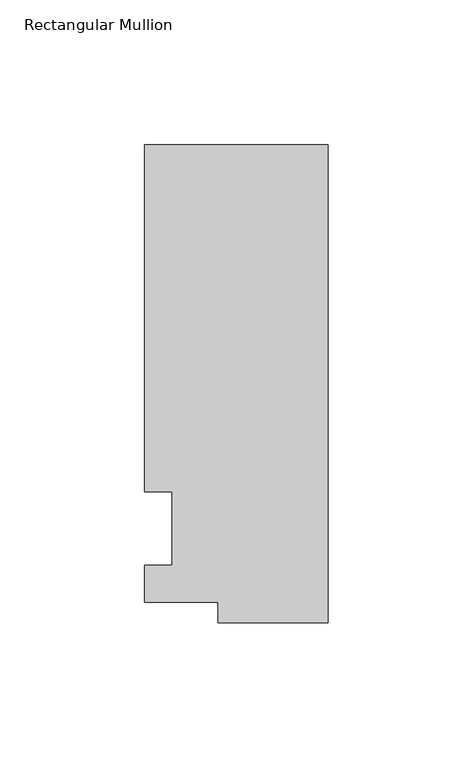
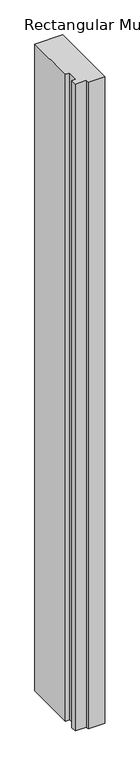
"""IFC4 building model written with IfcOpenShell, lengths in millimetres: member geometry, Rectangular Mullion."""

from ifc_helpers import new_model, si_unit, frame, origin, place, context, project, spatial, polyline, outline, extrude, source, transform, mapped, element, save


def rectangular_mullion_eed7c2d3(model_context):
    return source(origin(), model_context, "Body", "SweptSolid", [
        extrude(outline(polyline([(-38.1, -32.54375), (-38.1, -25.58415), (-63.5, -25.58415), (-63.5, -12.7), (-53.975, -12.7), (-53.975, 12.7), (-63.5, 12.7), (-63.5, 132.55625), (0.0, 132.55625), (0.0, -32.54375), (-38.1, -32.54375)])), frame((0.0, 0.0, -1555.75), z_axis=(0.0, 0.0, 1.0), x_axis=(1.0, 0.0, 0.0)), (0.0, 0.0, 1.0), 1555.75),
    ])


if __name__ == "__main__":
    model = new_model("IFC4")
    model_context = context("Model", 3, world=origin())
    ifc_project = project(units=[si_unit("LENGTHUNIT", "METRE", prefix="MILLI")], contexts=[model_context])
    site = spatial("IfcSite", under=ifc_project)
    building = spatial("IfcBuilding", under=site)
    placement = place(None, origin())
    rectangular_mullion_shape = rectangular_mullion_eed7c2d3(model_context)
    element("IfcMember", 1, ObjectType="Rectangular Mullion", at=placement, inside=building, context=model_context, shape_type="MappedRepresentation", body=[
        mapped(rectangular_mullion_shape, transform((0.0, 0.0, 0.0), x_axis=(1.0, 0.0, 0.0), y_axis=(0.0, 1.0, 0.0), z_axis=(0.0, 0.0, 1.0))),
    ])
    save(model, "model.ifc")
